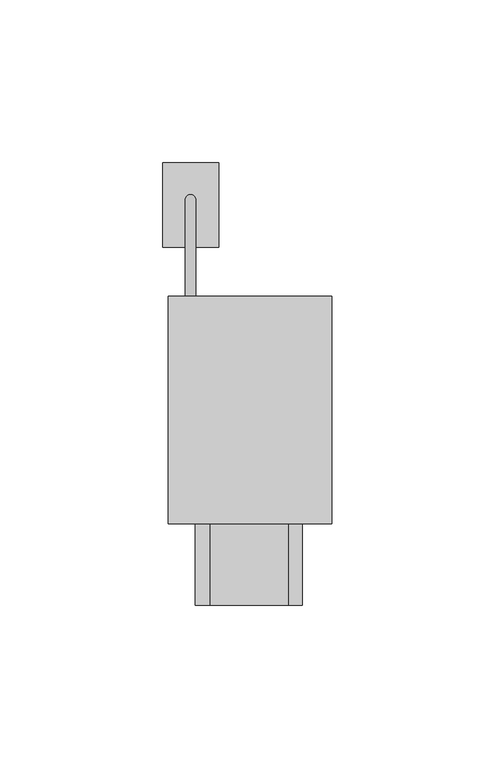
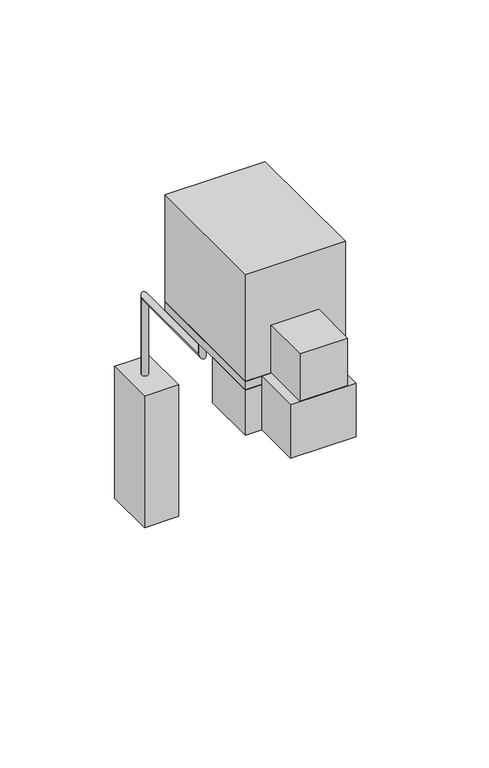
"""IFC4 building model written with IfcOpenShell, lengths in millimetres: proxy geometry."""

from ifc_helpers import new_model, si_unit, frame, origin, origin_with_axes, place, context, project, spatial, polyline, circle_curve, ellipse_curve, outline, extrude, source, transform, mapped, element, save
from ifc_brep_helpers import plane_surface, cylinder_surface, advanced_brep


def specialty_equipment_45b04441(model_context):
    return source(origin(), model_context, "Body", "SolidModel", [
        advanced_brep(
        [(10.1947718, -20.4704483, 24.0141009), (13.5229692, -20.4704483, 24.0141009), (10.1947718, -20.4704483, 11.0141009), (13.5229692, -20.4704483, 11.0141009), (10.1947718, 29.5295517, 11.0141009), (13.5229692, 29.5295517, 11.0141009), (10.1947718, 29.5295517, -29.9858991), (13.5229692, 29.5295517, -29.9858991)],
        [
            (0, 1, circle_curve(frame((11.8588705, -20.4704483, 24.0141009), z_axis=(0.0, 0.0, 1.0), x_axis=(1.0, 0.0, 0.0)), 1.6640987)),
            (1, 0, circle_curve(frame((11.8588705, -20.4704483, 24.0141009), z_axis=(0.0, 0.0, 1.0), x_axis=(1.0, 0.0, 0.0)), 1.6640987)),
            (0, 2),
            (2, 3, ellipse_curve(frame((11.8588705, -20.4704483, 11.0141009), z_axis=(0.0, -0.7071067811865469, 0.7071067811865481), x_axis=(0.0, 0.7071067811865481, 0.7071067811865468)), 2.3533909, 1.6640987)),
            (3, 1),
            (3, 2, ellipse_curve(frame((11.8588705, -20.4704483, 11.0141009), z_axis=(0.0, -0.7071067811865469, 0.7071067811865481), x_axis=(0.0, 0.7071067811865481, 0.7071067811865468)), 2.3533909, 1.6640987)),
            (2, 4),
            (4, 5, ellipse_curve(frame((11.8588705, 29.5295517, 11.0141009), z_axis=(0.0, -0.7071067811865469, 0.7071067811865481), x_axis=(0.0, -0.7071067811865481, -0.7071067811865468)), 2.3533909, 1.6640987)),
            (5, 3),
            (5, 4, ellipse_curve(frame((11.8588705, 29.5295517, 11.0141009), z_axis=(0.0, -0.7071067811865469, 0.7071067811865481), x_axis=(0.0, -0.7071067811865481, -0.7071067811865468)), 2.3533909, 1.6640987)),
            (6, 7, circle_curve(frame((11.8588705, 29.5295517, -29.9858991), z_axis=(0.0, 0.0, -1.0), x_axis=(1.0, 0.0, 0.0)), 1.6640987)),
            (7, 6, circle_curve(frame((11.8588705, 29.5295517, -29.9858991), z_axis=(0.0, 0.0, -1.0), x_axis=(1.0, 0.0, 0.0)), 1.6640987)),
            (4, 6),
            (7, 5),
        ],
        [
            plane_surface(frame((5.0, -20.4704483, 24.0141009), z_axis=(0.0, 0.0, 1.0), x_axis=(1.0, 0.0, 0.0))),
            cylinder_surface(frame((11.8588705, -20.4704483, 24.0141009), z_axis=(0.0, 0.0, 1.0), x_axis=(1.0, 0.0, 0.0)), 1.6640987),
            cylinder_surface(frame((11.8588705, -20.4704483, 11.0141009), z_axis=(0.0, -1.0, 0.0), x_axis=(1.0, 0.0, 0.0)), 1.6640987),
            plane_surface(frame((5.0, 29.5295517, -29.9858991), z_axis=(0.0, 0.0, -1.0), x_axis=(1.0, 0.0, 0.0))),
            cylinder_surface(frame((11.8588705, 29.5295517, 11.0141009), z_axis=(0.0, 0.0, 1.0), x_axis=(1.0, 0.0, 0.0)), 1.6640987),
        ],
        [
            (0, [[1, 2]]),
            (1, [[-1, 3, 4, 5]]),
            (1, [[-2, -5, 6, -3]]),
            (2, [[-4, 7, 8, 9]]),
            (2, [[-6, -9, 10, -7]]),
            (3, [[11, 12]]),
            (4, [[-8, 13, -12, 14]]),
            (4, [[-10, -14, -11, -13]]),
        ],
    ),
        extrude(outline(polyline([(20.4664999, 41.0), (20.4664999, 15.0), (3.3112947, 15.0), (3.3112947, 41.0), (20.4664999, 41.0)])), frame((0.0, 0.0, -100.0), z_axis=(0.0, 0.0, 1.0), x_axis=(1.0, 0.0, 0.0)), (0.0, 0.0, 1.0), 70.0),
        extrude(outline(polyline([(46.1453565, -70.0), (46.1453565, -95.0), (13.3692821, -95.0), (13.3692821, -70.0), (46.1453565, -70.0)])), origin_with_axes(), (0.0, 0.0, 1.0), 28.5),
        extrude(outline(polyline([(41.976687, -70.0), (41.976687, -95.0), (17.9136243, -95.0), (17.9136243, -70.0), (41.976687, -70.0)])), frame((0.0, 0.0, 28.5), z_axis=(0.0, 0.0, 1.0), x_axis=(1.0, 0.0, 0.0)), (0.0, 0.0, 1.0), 25.5),
        extrude(outline(polyline([(55.3, -70.0), (5.0, -70.0), (5.0, -41.2270583), (55.3, -41.2270583), (55.3, -70.0)])), origin_with_axes(), (0.0, 0.0, 1.0), 24.0),
        extrude(outline(polyline([(55.3, -70.0), (5.0, -70.0), (5.0, 0.0), (55.3, 0.0), (55.3, -70.0)])), frame((0.0, 0.0, 24.0), z_axis=(0.0, 0.0, 1.0), x_axis=(1.0, 0.0, 0.0)), (0.0, 0.0, 1.0), 4.5),
        extrude(outline(polyline([(55.3, -70.0), (5.0, -70.0), (5.0, 0.0), (55.3, 0.0), (55.3, -70.0)])), frame((0.0, 0.0, 28.5), z_axis=(0.0, 0.0, 1.0), x_axis=(1.0, 0.0, 0.0)), (0.0, 0.0, 1.0), 57.0),
    ])


if __name__ == "__main__":
    model = new_model("IFC4")
    model_context = context("Model", 3, world=origin())
    ifc_project = project(units=[si_unit("LENGTHUNIT", "METRE", prefix="MILLI")], contexts=[model_context])
    site = spatial("IfcSite", under=ifc_project)
    building = spatial("IfcBuilding", under=site)
    placement = place(None, origin())
    specialty_equipment_shape = specialty_equipment_45b04441(model_context)
    element("IfcBuildingElementProxy", 1, Name="Specialty Equipment", at=placement, inside=building, context=model_context, shape_type="MappedRepresentation", body=[
        mapped(specialty_equipment_shape, transform((0.0, 0.0, 0.0), x_axis=(1.0, 0.0, 0.0), y_axis=(0.0, 1.0, 0.0), z_axis=(0.0, 0.0, 1.0))),
    ])
    save(model, "model.ifc")
